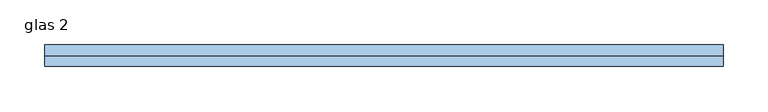
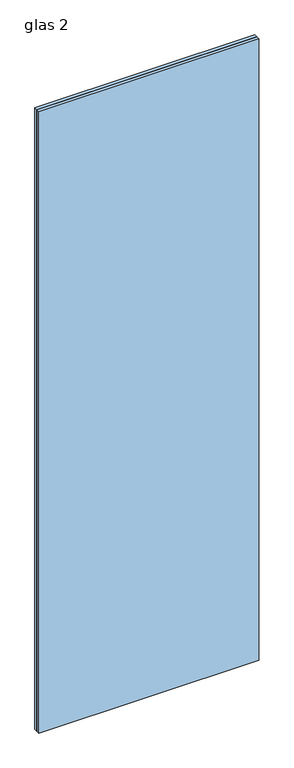
"""IFC4 building model written with IfcOpenShell, lengths in millimetres: window geometry, glas 2."""

import ifcopenshell
import ifcopenshell.guid

model = None  # the IFC model being written
_history = None  # IfcOwnerHistory: only IFC2X3 demands one
_inside = {}  # id of a spatial element -> (the spatial element, [elements in it])
_under = {}  # id of a project, library or spatial element -> (it, [spatial elements below it])
_declared = {}  # id of a project -> (the project, [libraries it declares])
_typed = {}  # id of a type object -> (the type object, [elements of that type])
_made_of = {}  # id of a material, layer set ... -> (it, [elements and type objects made of it])


def new_model(schema):
    """Start an empty IFC model of exactly this schema.

    Asked for "IFC4X3", IfcOpenShell would pick the latest addendum, in which some entities
    have other attributes; the version numbers below select the first issue.
    IFC2X3 requires an IfcOwnerHistory on every rooted entity: one is made here for all.
    """
    global model, _history
    if schema == "IFC4X3":
        model = ifcopenshell.file(schema_version=(4, 3, 0, 0))
    else:
        model = ifcopenshell.file(schema=schema)
    _inside.clear()
    _under.clear()
    _declared.clear()
    _typed.clear()
    _made_of.clear()
    _history = None
    if model.schema == "IFC2X3":
        org = make("IfcOrganization", Name="unknown")
        user = make(
            "IfcPersonAndOrganization",
            ThePerson=make("IfcPerson", FamilyName="unknown"),
            TheOrganization=org,
        )
        app = make(
            "IfcApplication",
            ApplicationDeveloper=org,
            Version="unknown",
            ApplicationFullName="unknown",
            ApplicationIdentifier="unknown",
        )
        _history = make(
            "IfcOwnerHistory",
            OwningUser=user,
            OwningApplication=app,
            ChangeAction="ADDED",
            CreationDate=0,
        )
    return model


def make(cls, **values):
    """One entity of the class cls with the attributes given. An attribute that is None is left unset."""
    return model.create_entity(
        cls, **{name: value for name, value in values.items() if value is not None}
    )


def rooted(cls, **values):
    """An entity with a GlobalId (a new one), such as an element, a storey or a relation."""
    return make(cls, GlobalId=ifcopenshell.guid.new(), OwnerHistory=_history, **values)


def si_unit(unit_type, name, prefix=None):
    """IfcSIUnit, for example si_unit("LENGTHUNIT", "METRE", prefix="MILLI")."""
    return make("IfcSIUnit", UnitType=unit_type, Prefix=prefix, Name=name)


def assignment(units):
    """IfcUnitAssignment: the units of a project."""
    return None if units is None else make("IfcUnitAssignment", Units=units)


def point(xyz):
    """IfcCartesianPoint."""
    return None if xyz is None else make("IfcCartesianPoint", Coordinates=xyz)


def direction(xyz):
    """IfcDirection."""
    return None if xyz is None else make("IfcDirection", DirectionRatios=xyz)


def frame(location, z_axis=None, x_axis=None):
    """IfcAxis2Placement3D, a coordinate frame: its origin and axes. An axis left out is left unset."""
    return make(
        "IfcAxis2Placement3D",
        Location=point(location),
        Axis=direction(z_axis),
        RefDirection=direction(x_axis),
    )


def origin():
    """The frame at (0, 0, 0) with its axes left unset."""
    return frame((0.0, 0.0, 0.0))


def origin_with_axes():
    """The frame at (0, 0, 0) with the z axis (0, 0, 1) and the x axis (1, 0, 0) written out."""
    return frame((0.0, 0.0, 0.0), z_axis=(0.0, 0.0, 1.0), x_axis=(1.0, 0.0, 0.0))


def place(relative_to, where):
    """IfcLocalPlacement: puts the frame where relative to a parent placement (None: the world)."""
    return make(
        "IfcLocalPlacement", PlacementRelTo=relative_to, RelativePlacement=where
    )


def context(
    kind, dimensions, precision=None, world=None, true_north=None, identifier=None
):
    """IfcGeometricRepresentationContext, for example the 3D "Model" context."""
    return make(
        "IfcGeometricRepresentationContext",
        ContextIdentifier=identifier,
        ContextType=kind,
        CoordinateSpaceDimension=dimensions,
        Precision=precision,
        WorldCoordinateSystem=world,
        TrueNorth=true_north,
    )


def project(units=None, contexts=None):
    """IfcProject with its units and contexts."""
    return rooted(
        "IfcProject",
        Name="project",
        RepresentationContexts=contexts,
        UnitsInContext=assignment(units),
    )


def spatial(cls, under=None, at=None, **own):
    """A site, building, storey or space (cls), placed at a placement, below another one or the project."""
    s = rooted(cls, ObjectPlacement=at, **own)
    if under is not None:
        _under.setdefault(under.id(), (under, []))[1].append(s)
    return s


def polyline(points):
    """IfcPolyline through the points."""
    return make("IfcPolyline", Points=[point(p) for p in points])


def outline(outer, holes=None, kind="AREA"):
    """IfcArbitraryClosedProfileDef: a profile drawn as a closed curve; with holes, ...WithVoids."""
    if holes is None:
        return make("IfcArbitraryClosedProfileDef", ProfileType=kind, OuterCurve=outer)
    return make(
        "IfcArbitraryProfileDefWithVoids",
        ProfileType=kind,
        OuterCurve=outer,
        InnerCurves=holes,
    )


def extrude(swept, where, along, depth):
    """IfcExtrudedAreaSolid: the profile swept, set in the frame where, extruded along a direction by depth."""
    return make(
        "IfcExtrudedAreaSolid",
        SweptArea=swept,
        Position=where,
        ExtrudedDirection=direction(along),
        Depth=depth,
    )


def shape(context_of_items, identifier, shape_type, items):
    """IfcShapeRepresentation: the items that make up one representation, for example the "Body"."""
    return make(
        "IfcShapeRepresentation",
        ContextOfItems=context_of_items,
        RepresentationIdentifier=identifier,
        RepresentationType=shape_type,
        Items=items,
    )


def source(mapping_origin, context_of_items, identifier, shape_type, items):
    """IfcRepresentationMap: a shape defined once, which mapped items show again and again."""
    return make(
        "IfcRepresentationMap",
        MappingOrigin=mapping_origin,
        MappedRepresentation=shape(context_of_items, identifier, shape_type, items),
    )


def transform(
    local_origin,
    x_axis=None,
    y_axis=None,
    z_axis=None,
    scale=None,
    scale2=None,
    scale3=None,
    uniform=True,
):
    """IfcCartesianTransformationOperator3D, or its non-uniform kind. x_axis, y_axis, z_axis: its Axis1, 2, 3."""
    if uniform:
        return make(
            "IfcCartesianTransformationOperator3D",
            Axis1=direction(x_axis),
            Axis2=direction(y_axis),
            LocalOrigin=point(local_origin),
            Scale=scale,
            Axis3=direction(z_axis),
        )
    return make(
        "IfcCartesianTransformationOperator3DnonUniform",
        Axis1=direction(x_axis),
        Axis2=direction(y_axis),
        LocalOrigin=point(local_origin),
        Scale=scale,
        Axis3=direction(z_axis),
        Scale2=scale2,
        Scale3=scale3,
    )


def mapped(mapping_source, mapping_target):
    """IfcMappedItem: shows the shape of a source again, moved by a transform."""
    return make(
        "IfcMappedItem", MappingSource=mapping_source, MappingTarget=mapping_target
    )


def made_of(thing, what):
    """Note that an element or type object is made of a material, layer set ...; save() writes the relation."""
    if what is not None:
        _made_of.setdefault(what.id(), (what, []))[1].append(thing)
    return thing


def element(
    cls,
    number,
    at=None,
    inside=None,
    cuts=None,
    type_object=None,
    material=None,
    context=None,
    identifier="Body",
    shape_type=None,
    held_by="IfcProductDefinitionShape",
    body=None,
    shapes=None,
    **own,
):
    """One element of the class cls, such as IfcWall. Its Tag is "e" and its number.

    at: its placement. inside: the storey or other place that contains it. cuts: it is an
    opening in that element (IfcRelVoidsElement). A single representation is given by context,
    identifier, shape_type and body (its items); several are given by shapes. held_by: the class
    of the entity that holds the representations. save() writes the other relations.
    """
    e = rooted(cls, Tag="e%d" % number, ObjectPlacement=at, **own)
    if body is not None:
        shapes = [shape(context, identifier, shape_type, body)]
    if shapes is not None:
        e.Representation = make(held_by, Representations=shapes)
    if inside is not None:
        _inside.setdefault(inside.id(), (inside, []))[1].append(e)
    if cuts is not None:
        rooted(
            "IfcRelVoidsElement", RelatingBuildingElement=cuts, RelatedOpeningElement=e
        )
    if type_object is not None:
        _typed.setdefault(type_object.id(), (type_object, []))[1].append(e)
    return made_of(e, material)


def aggregate(whole, parts):
    """IfcRelAggregates: a whole, such as a stair, and the parts it consists of."""
    return rooted("IfcRelAggregates", RelatingObject=whole, RelatedObjects=parts)


def save(model, path):
    """Write the relations noted so far, then the file.

    IfcRelAggregates (storeys below a building ...), IfcRelContainedInSpatialStructure (elements
    in a storey), IfcRelDefinesByType, IfcRelAssociatesMaterial and IfcRelDeclares: one each for
    every whole, place, type object, material and project.
    """
    for whole, parts in _under.values():
        aggregate(whole, parts)
    for where, things in _inside.values():
        rooted(
            "IfcRelContainedInSpatialStructure",
            RelatedElements=things,
            RelatingStructure=where,
        )
    for kind, things in _typed.values():
        rooted("IfcRelDefinesByType", RelatedObjects=things, RelatingType=kind)
    for what, things in _made_of.values():
        rooted("IfcRelAssociatesMaterial", RelatedObjects=things, RelatingMaterial=what)
    for by, libraries in _declared.values():
        rooted("IfcRelDeclares", RelatingContext=by, RelatedDefinitions=libraries)
    model.write(path)


def glas_2_e0e01117(model_context):
    return source(origin(), model_context, "Body", "SweptSolid", [
        extrude(outline(polyline([(-378.25, 12.0), (378.25, 12.0), (378.25, 0.0), (-378.25, 0.0), (-378.25, 12.0)])), origin_with_axes(), (0.0, 0.0, 1.0), 2259.5),
        extrude(outline(polyline([(-378.25, 0.0), (378.25, 0.0), (378.25, -12.0), (-378.25, -12.0), (-378.25, 0.0)])), origin_with_axes(), (0.0, 0.0, 1.0), 2259.5),
    ])


if __name__ == "__main__":
    model = new_model("IFC4")
    model_context = context("Model", 3, world=origin())
    ifc_project = project(units=[si_unit("LENGTHUNIT", "METRE", prefix="MILLI")], contexts=[model_context])
    site = spatial("IfcSite", under=ifc_project)
    building = spatial("IfcBuilding", under=site)
    placement = place(None, origin())
    glas_2_shape = glas_2_e0e01117(model_context)
    element("IfcWindow", 1, ObjectType="glas 2", at=placement, inside=building, context=model_context, shape_type="MappedRepresentation", body=[
        mapped(glas_2_shape, transform((0.0, 0.0, 0.0), x_axis=(1.0, 0.0, 0.0), y_axis=(0.0, 1.0, 0.0), z_axis=(0.0, 0.0, 1.0))),
    ])
    save(model, "model.ifc")
